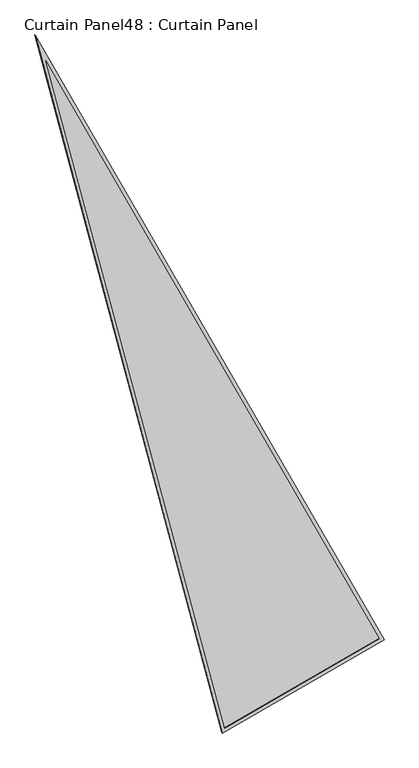
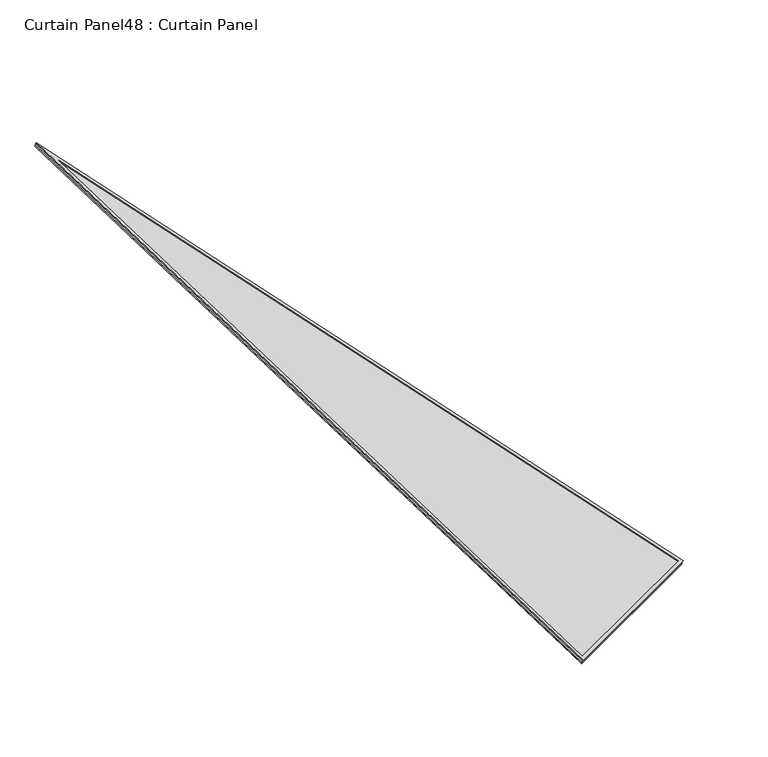
"""IFC4 building model written with IfcOpenShell, lengths in millimetres: plate geometry, Curtain Panel48 : Curtain Panel."""

from ifc_helpers import new_model, si_unit, frame, origin, place, context, project, spatial, polyline, outline, extrude, source, transform, mapped, element, save


def curtain_panel48_curtain_panel_d19e1096(model_context):
    return source(origin(), model_context, "Body", "SweptSolid", [
        extrude(outline(polyline([(895.9373554, -1e-07), (0.0, -3524.4506618), (0.0, 0.0), (895.9373554, -1e-07)]), holes=[polyline([(874.508816, -16.6627979), (16.6627978, -16.6627979), (16.6627979, -3391.2692346), (874.508816, -16.6627979)])]), frame((14858.3639986, -4863.5738286, 898.6724196), z_axis=(0.15807291198690085, -0.27379031486168115, 0.9487106081329139), x_axis=(-0.8660254037844459, -0.49999999999998745, 0.0)), (0.0, 0.0, 1.0), 4.8609908),
        extrude(outline(polyline([(895.9373554, 0.0), (0.0, -3524.4506618), (0.0, 0.0), (895.9373554, 0.0)]), holes=[polyline([(882.6749851, -10.3127979), (10.3127979, -10.3127979), (10.3127979, -3442.0231397), (882.6749851, -10.3127979)])]), frame((14855.5822687, -4858.755731, 881.9772337), z_axis=(0.15807291198690196, -0.27379031486168304, 0.9487106081329131), x_axis=(-0.8660254037844459, -0.49999999999998745, 0.0)), (0.0, 0.0, 1.0), 4.7549713),
        extrude(outline(polyline([(12.7, 0.0), (908.6373554, 0.0), (12.7, -3524.4506618), (12.7, 0.0)])), frame((14867.3324235, -4853.7075961, 886.4883254), z_axis=(0.15807291198690063, -0.2737903148616807, 0.948710608132914), x_axis=(-0.8660254037844428, -0.4999999999999929, 0.0)), (0.0, 0.0, 1.0), 12.8427933),
    ])


if __name__ == "__main__":
    model = new_model("IFC4")
    model_context = context("Model", 3, world=origin())
    ifc_project = project(units=[si_unit("LENGTHUNIT", "METRE", prefix="MILLI")], contexts=[model_context])
    site = spatial("IfcSite", under=ifc_project)
    building = spatial("IfcBuilding", under=site)
    placement = place(None, origin())
    curtain_panel48_curtain_panel_shape = curtain_panel48_curtain_panel_d19e1096(model_context)
    element("IfcPlate", 1, ObjectType="Curtain Panel48 : Curtain Panel", at=placement, inside=building, context=model_context, shape_type="MappedRepresentation", body=[
        mapped(curtain_panel48_curtain_panel_shape, transform((0.0, 0.0, 0.0), x_axis=(1.0, 0.0, 0.0), y_axis=(0.0, 1.0, 0.0), z_axis=(0.0, 0.0, 1.0))),
    ])
    save(model, "model.ifc")
